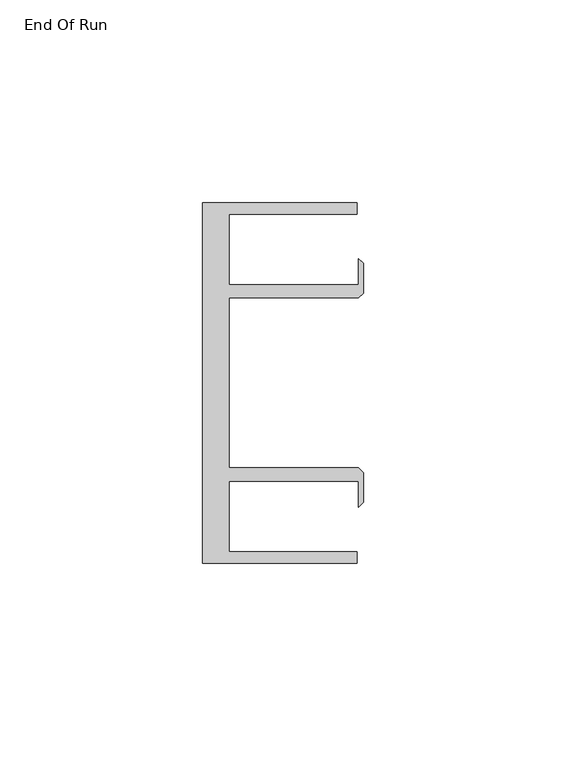
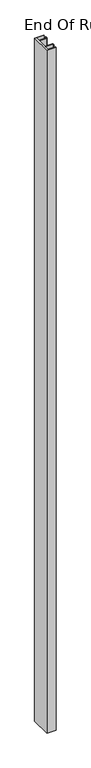
"""IFC4 building model written with IfcOpenShell, lengths in millimetres: furniture geometry, End Of Run."""

import ifcopenshell
import ifcopenshell.guid

model = None  # the IFC model being written
_history = None  # IfcOwnerHistory: only IFC2X3 demands one
_inside = {}  # id of a spatial element -> (the spatial element, [elements in it])
_under = {}  # id of a project, library or spatial element -> (it, [spatial elements below it])
_declared = {}  # id of a project -> (the project, [libraries it declares])
_typed = {}  # id of a type object -> (the type object, [elements of that type])
_made_of = {}  # id of a material, layer set ... -> (it, [elements and type objects made of it])


def new_model(schema):
    """Start an empty IFC model of exactly this schema.

    Asked for "IFC4X3", IfcOpenShell would pick the latest addendum, in which some entities
    have other attributes; the version numbers below select the first issue.
    IFC2X3 requires an IfcOwnerHistory on every rooted entity: one is made here for all.
    """
    global model, _history
    if schema == "IFC4X3":
        model = ifcopenshell.file(schema_version=(4, 3, 0, 0))
    else:
        model = ifcopenshell.file(schema=schema)
    _inside.clear()
    _under.clear()
    _declared.clear()
    _typed.clear()
    _made_of.clear()
    _history = None
    if model.schema == "IFC2X3":
        org = make("IfcOrganization", Name="unknown")
        user = make(
            "IfcPersonAndOrganization",
            ThePerson=make("IfcPerson", FamilyName="unknown"),
            TheOrganization=org,
        )
        app = make(
            "IfcApplication",
            ApplicationDeveloper=org,
            Version="unknown",
            ApplicationFullName="unknown",
            ApplicationIdentifier="unknown",
        )
        _history = make(
            "IfcOwnerHistory",
            OwningUser=user,
            OwningApplication=app,
            ChangeAction="ADDED",
            CreationDate=0,
        )
    return model


def make(cls, **values):
    """One entity of the class cls with the attributes given. An attribute that is None is left unset."""
    return model.create_entity(
        cls, **{name: value for name, value in values.items() if value is not None}
    )


def rooted(cls, **values):
    """An entity with a GlobalId (a new one), such as an element, a storey or a relation."""
    return make(cls, GlobalId=ifcopenshell.guid.new(), OwnerHistory=_history, **values)


def si_unit(unit_type, name, prefix=None):
    """IfcSIUnit, for example si_unit("LENGTHUNIT", "METRE", prefix="MILLI")."""
    return make("IfcSIUnit", UnitType=unit_type, Prefix=prefix, Name=name)


def assignment(units):
    """IfcUnitAssignment: the units of a project."""
    return None if units is None else make("IfcUnitAssignment", Units=units)


def point(xyz):
    """IfcCartesianPoint."""
    return None if xyz is None else make("IfcCartesianPoint", Coordinates=xyz)


def direction(xyz):
    """IfcDirection."""
    return None if xyz is None else make("IfcDirection", DirectionRatios=xyz)


def frame(location, z_axis=None, x_axis=None):
    """IfcAxis2Placement3D, a coordinate frame: its origin and axes. An axis left out is left unset."""
    return make(
        "IfcAxis2Placement3D",
        Location=point(location),
        Axis=direction(z_axis),
        RefDirection=direction(x_axis),
    )


def origin():
    """The frame at (0, 0, 0) with its axes left unset."""
    return frame((0.0, 0.0, 0.0))


def origin_with_axes():
    """The frame at (0, 0, 0) with the z axis (0, 0, 1) and the x axis (1, 0, 0) written out."""
    return frame((0.0, 0.0, 0.0), z_axis=(0.0, 0.0, 1.0), x_axis=(1.0, 0.0, 0.0))


def place(relative_to, where):
    """IfcLocalPlacement: puts the frame where relative to a parent placement (None: the world)."""
    return make(
        "IfcLocalPlacement", PlacementRelTo=relative_to, RelativePlacement=where
    )


def context(
    kind, dimensions, precision=None, world=None, true_north=None, identifier=None
):
    """IfcGeometricRepresentationContext, for example the 3D "Model" context."""
    return make(
        "IfcGeometricRepresentationContext",
        ContextIdentifier=identifier,
        ContextType=kind,
        CoordinateSpaceDimension=dimensions,
        Precision=precision,
        WorldCoordinateSystem=world,
        TrueNorth=true_north,
    )


def project(units=None, contexts=None):
    """IfcProject with its units and contexts."""
    return rooted(
        "IfcProject",
        Name="project",
        RepresentationContexts=contexts,
        UnitsInContext=assignment(units),
    )


def spatial(cls, under=None, at=None, **own):
    """A site, building, storey or space (cls), placed at a placement, below another one or the project."""
    s = rooted(cls, ObjectPlacement=at, **own)
    if under is not None:
        _under.setdefault(under.id(), (under, []))[1].append(s)
    return s


def polyline(points):
    """IfcPolyline through the points."""
    return make("IfcPolyline", Points=[point(p) for p in points])


def outline(outer, holes=None, kind="AREA"):
    """IfcArbitraryClosedProfileDef: a profile drawn as a closed curve; with holes, ...WithVoids."""
    if holes is None:
        return make("IfcArbitraryClosedProfileDef", ProfileType=kind, OuterCurve=outer)
    return make(
        "IfcArbitraryProfileDefWithVoids",
        ProfileType=kind,
        OuterCurve=outer,
        InnerCurves=holes,
    )


def extrude(swept, where, along, depth):
    """IfcExtrudedAreaSolid: the profile swept, set in the frame where, extruded along a direction by depth."""
    return make(
        "IfcExtrudedAreaSolid",
        SweptArea=swept,
        Position=where,
        ExtrudedDirection=direction(along),
        Depth=depth,
    )


def shape(context_of_items, identifier, shape_type, items):
    """IfcShapeRepresentation: the items that make up one representation, for example the "Body"."""
    return make(
        "IfcShapeRepresentation",
        ContextOfItems=context_of_items,
        RepresentationIdentifier=identifier,
        RepresentationType=shape_type,
        Items=items,
    )


def source(mapping_origin, context_of_items, identifier, shape_type, items):
    """IfcRepresentationMap: a shape defined once, which mapped items show again and again."""
    return make(
        "IfcRepresentationMap",
        MappingOrigin=mapping_origin,
        MappedRepresentation=shape(context_of_items, identifier, shape_type, items),
    )


def transform(
    local_origin,
    x_axis=None,
    y_axis=None,
    z_axis=None,
    scale=None,
    scale2=None,
    scale3=None,
    uniform=True,
):
    """IfcCartesianTransformationOperator3D, or its non-uniform kind. x_axis, y_axis, z_axis: its Axis1, 2, 3."""
    if uniform:
        return make(
            "IfcCartesianTransformationOperator3D",
            Axis1=direction(x_axis),
            Axis2=direction(y_axis),
            LocalOrigin=point(local_origin),
            Scale=scale,
            Axis3=direction(z_axis),
        )
    return make(
        "IfcCartesianTransformationOperator3DnonUniform",
        Axis1=direction(x_axis),
        Axis2=direction(y_axis),
        LocalOrigin=point(local_origin),
        Scale=scale,
        Axis3=direction(z_axis),
        Scale2=scale2,
        Scale3=scale3,
    )


def mapped(mapping_source, mapping_target):
    """IfcMappedItem: shows the shape of a source again, moved by a transform."""
    return make(
        "IfcMappedItem", MappingSource=mapping_source, MappingTarget=mapping_target
    )


def made_of(thing, what):
    """Note that an element or type object is made of a material, layer set ...; save() writes the relation."""
    if what is not None:
        _made_of.setdefault(what.id(), (what, []))[1].append(thing)
    return thing


def element(
    cls,
    number,
    at=None,
    inside=None,
    cuts=None,
    type_object=None,
    material=None,
    context=None,
    identifier="Body",
    shape_type=None,
    held_by="IfcProductDefinitionShape",
    body=None,
    shapes=None,
    **own,
):
    """One element of the class cls, such as IfcWall. Its Tag is "e" and its number.

    at: its placement. inside: the storey or other place that contains it. cuts: it is an
    opening in that element (IfcRelVoidsElement). A single representation is given by context,
    identifier, shape_type and body (its items); several are given by shapes. held_by: the class
    of the entity that holds the representations. save() writes the other relations.
    """
    e = rooted(cls, Tag="e%d" % number, ObjectPlacement=at, **own)
    if body is not None:
        shapes = [shape(context, identifier, shape_type, body)]
    if shapes is not None:
        e.Representation = make(held_by, Representations=shapes)
    if inside is not None:
        _inside.setdefault(inside.id(), (inside, []))[1].append(e)
    if cuts is not None:
        rooted(
            "IfcRelVoidsElement", RelatingBuildingElement=cuts, RelatedOpeningElement=e
        )
    if type_object is not None:
        _typed.setdefault(type_object.id(), (type_object, []))[1].append(e)
    return made_of(e, material)


def aggregate(whole, parts):
    """IfcRelAggregates: a whole, such as a stair, and the parts it consists of."""
    return rooted("IfcRelAggregates", RelatingObject=whole, RelatedObjects=parts)


def save(model, path):
    """Write the relations noted so far, then the file.

    IfcRelAggregates (storeys below a building ...), IfcRelContainedInSpatialStructure (elements
    in a storey), IfcRelDefinesByType, IfcRelAssociatesMaterial and IfcRelDeclares: one each for
    every whole, place, type object, material and project.
    """
    for whole, parts in _under.values():
        aggregate(whole, parts)
    for where, things in _inside.values():
        rooted(
            "IfcRelContainedInSpatialStructure",
            RelatedElements=things,
            RelatingStructure=where,
        )
    for kind, things in _typed.values():
        rooted("IfcRelDefinesByType", RelatedObjects=things, RelatingType=kind)
    for what, things in _made_of.values():
        rooted("IfcRelAssociatesMaterial", RelatedObjects=things, RelatingMaterial=what)
    for by, libraries in _declared.values():
        rooted("IfcRelDeclares", RelatingContext=by, RelatedDefinitions=libraries)
    model.write(path)


def end_of_run_e9d8af16(model_context):
    return source(origin(), model_context, "Body", "SweptSolid", [
        extrude(outline(polyline([(29.9771531, 59.951805), (68.0771531, 59.951805), (68.0771531, 57.1518064), (36.5771534, 57.1518064), (36.5771534, 39.7518058), (68.5195633, 39.7518058), (68.5195633, 46.1177636), (69.6646531, 44.9726737), (69.6646531, 37.5968955), (68.5195633, 36.4518057), (36.5771534, 36.4518057), (36.5771534, -5.4481956), (68.5195633, -5.4481956), (69.6646531, -6.5932854), (69.6646531, -13.9690637), (68.5195633, -15.1141535), (68.5195633, -8.7481957), (36.5771534, -8.7481957), (36.5771534, -26.1481963), (68.0771531, -26.1481963), (68.0771531, -28.948195), (29.9771531, -28.948195), (29.9771531, 59.951805)])), origin_with_axes(), (0.0, 0.0, 1.0), 3048.0),
    ])


if __name__ == "__main__":
    model = new_model("IFC4")
    model_context = context("Model", 3, world=origin())
    ifc_project = project(units=[si_unit("LENGTHUNIT", "METRE", prefix="MILLI")], contexts=[model_context])
    site = spatial("IfcSite", under=ifc_project)
    building = spatial("IfcBuilding", under=site)
    placement = place(None, origin())
    end_of_run_shape = end_of_run_e9d8af16(model_context)
    element("IfcFurniture", 1, ObjectType="End Of Run", at=placement, inside=building, context=model_context, shape_type="MappedRepresentation", body=[
        mapped(end_of_run_shape, transform((0.0, 0.0, 0.0), x_axis=(1.0, 0.0, 0.0), y_axis=(0.0, 1.0, 0.0), z_axis=(0.0, 0.0, 1.0))),
    ])
    save(model, "model.ifc")
